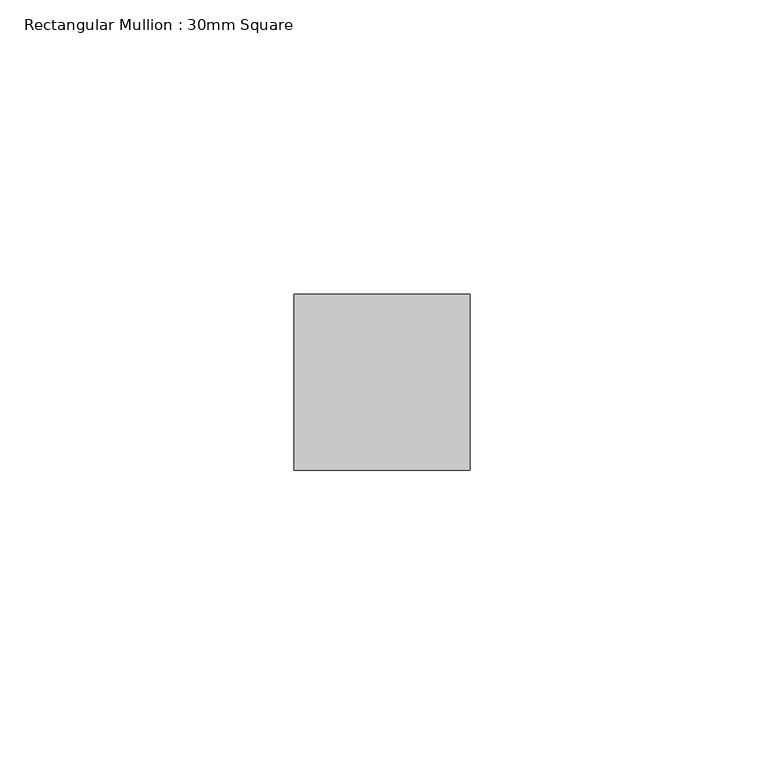
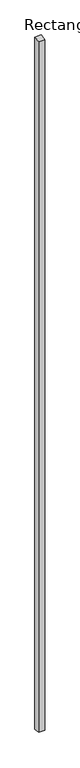
"""IFC4 building model written with IfcOpenShell, lengths in millimetres: member geometry, Rectangular Mullion : 30mm Square."""

from ifc_helpers import new_model, si_unit, frame, origin, place, context, project, spatial, polyline, outline, extrude, source, transform, mapped, element, save


def rectangular_mullion_30mm_square_80696039(model_context):
    return source(origin(), model_context, "Body", "SweptSolid", [
        extrude(outline(polyline([(-15.0, -2.3757666), (15.0, 2.3757666), (15.0, -3443.9339975), (-15.0, -3439.1824643), (-15.0, -2.3757666)])), frame((-15.0, 0.0, 0.0), z_axis=(1.0, 0.0, 0.0), x_axis=(0.0, 1.0, 0.0)), (0.0, 0.0, 1.0), 30.0),
    ])


if __name__ == "__main__":
    model = new_model("IFC4")
    model_context = context("Model", 3, world=origin())
    ifc_project = project(units=[si_unit("LENGTHUNIT", "METRE", prefix="MILLI")], contexts=[model_context])
    site = spatial("IfcSite", under=ifc_project)
    building = spatial("IfcBuilding", under=site)
    placement = place(None, origin())
    rectangular_mullion_30mm_square_shape = rectangular_mullion_30mm_square_80696039(model_context)
    element("IfcMember", 1, ObjectType="Rectangular Mullion : 30mm Square", at=placement, inside=building, context=model_context, shape_type="MappedRepresentation", body=[
        mapped(rectangular_mullion_30mm_square_shape, transform((0.0, 0.0, 0.0), x_axis=(1.0, 0.0, 0.0), y_axis=(0.0, 1.0, 0.0), z_axis=(0.0, 0.0, 1.0))),
    ])
    save(model, "model.ifc")
